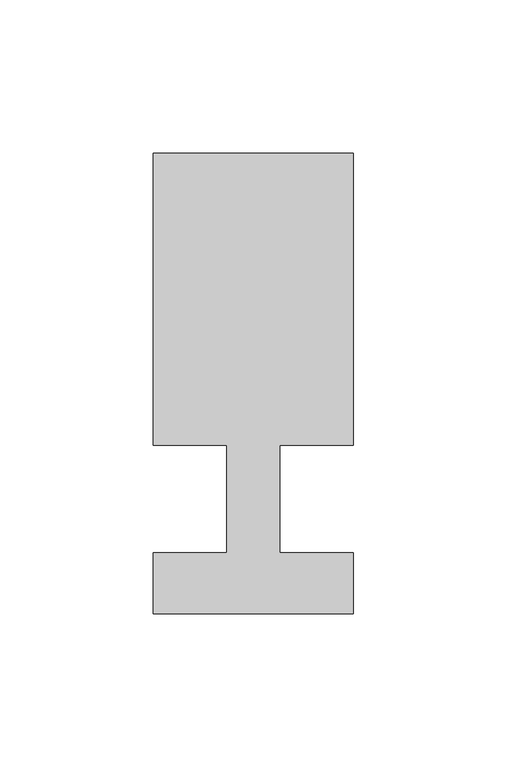
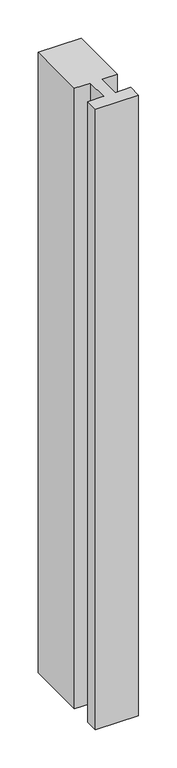
"""IFC4 building model written with IfcOpenShell, lengths in millimetres: member geometry."""

from ifc_helpers import new_model, si_unit, frame, origin, place, context, project, spatial, polyline, outline, extrude, source, transform, mapped, element, save


def member_f490aad8(model_context):
    return source(origin(), model_context, "Body", "SweptSolid", [
        extrude(outline(polyline([(-65.0, -37.0), (-65.0, -17.0), (-41.1875, -17.0), (-41.1875, 18.0), (-65.0, 18.0), (-65.0, 113.0), (0.0, 113.0), (0.0, 18.0), (-23.8125, 18.0), (-23.8125, -17.0), (0.0, -17.0), (0.0, -37.0), (-65.0, -37.0)])), frame((0.0, 0.0, -992.1964286), z_axis=(0.0, 0.0, 1.0), x_axis=(1.0, 0.0, 0.0)), (0.0, 0.0, 1.0), 992.1964286),
    ])


if __name__ == "__main__":
    model = new_model("IFC4")
    model_context = context("Model", 3, world=origin())
    ifc_project = project(units=[si_unit("LENGTHUNIT", "METRE", prefix="MILLI")], contexts=[model_context])
    site = spatial("IfcSite", under=ifc_project)
    building = spatial("IfcBuilding", under=site)
    placement = place(None, origin())
    member_shape = member_f490aad8(model_context)
    element("IfcMember", 1, at=placement, inside=building, context=model_context, shape_type="MappedRepresentation", body=[
        mapped(member_shape, transform((0.0, 0.0, 0.0), x_axis=(1.0, 0.0, 0.0), y_axis=(0.0, 1.0, 0.0), z_axis=(0.0, 0.0, 1.0))),
    ])
    save(model, "model.ifc")
